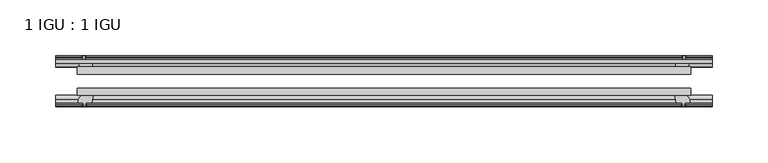
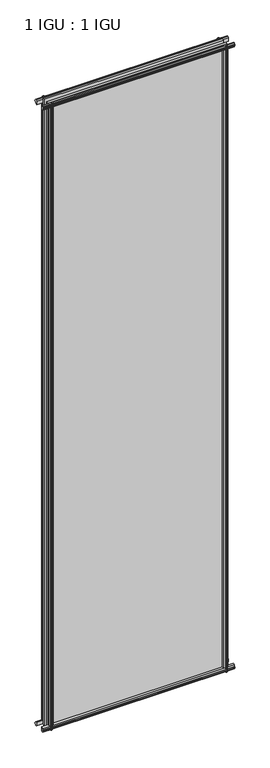
"""IFC4 building model written with IfcOpenShell, lengths in millimetres: plate geometry, 1 IGU : 1 IGU."""

from ifc_helpers import new_model, si_unit, frame, origin, place, context, project, spatial, polyline, outline, extrude, source, transform, mapped, element, save


def plate_1_igu_1_igu_e9c27ba7(model_context):
    return source(origin(), model_context, "Body", "SweptSolid", [
        extrude(outline(polyline([(-273.8244096, -38.6468937), (273.8244096, -38.6468937), (273.8244096, -44.9460938), (-273.8244096, -44.9460938), (-273.8244096, -38.6468937)])), frame((0.0, 0.0, -12.7), z_axis=(0.0, 0.0, 1.0), x_axis=(1.0, 0.0, 0.0)), (0.0, 0.0, 1.0), 2019.2999999),
        extrude(outline(polyline([(-273.8244096, -19.5460937), (273.8244096, -19.5460937), (273.8244096, -25.8960938), (-273.8244096, -25.8960938), (-273.8244096, -19.5460937)])), frame((0.0, 0.0, -12.7), z_axis=(0.0, 0.0, 1.0), x_axis=(1.0, 0.0, 0.0)), (0.0, 0.0, 1.0), 2019.2999999),
        extrude(outline(polyline([(-44.9460937, 1.7177181), (-44.9460937, -9.1036578), (-48.3496937, -11.938), (-51.2960937, -11.938), (-51.2960937, -7.493), (-53.6762907, -7.112), (-53.2163575, -8.5275291), (-54.0175717, -8.5275291), (-54.7250937, -6.35), (-54.0175717, -4.1724709), (-53.2163575, -4.1724709), (-53.6762907, -5.588), (-51.2960937, -5.207), (-51.2960937, 0.0), (-44.9460937, 1.7177181)])), frame((-292.8744096, 0.0, 0.0), z_axis=(1.0, 0.0, 0.0), x_axis=(0.0, 1.0, 0.0)), (0.0, 0.0, 1.0), 585.7488192),
        extrude(outline(polyline([(-13.1960937, -12.4587), (-16.1424937, -12.4587), (-19.5460937, -9.6243578), (-19.5460937, 1.1970181), (-13.1960937, -0.5207), (-13.1960937, -5.7277), (-10.8158968, -6.1087), (-11.27583, -4.6931709), (-10.4746158, -4.6931709), (-9.7670937, -6.8707), (-10.4746158, -9.0482291), (-11.27583, -9.0482291), (-10.8158968, -7.6327), (-13.1960937, -8.0137), (-13.1960937, -12.4587)])), frame((-292.8744096, 0.0, 0.0), z_axis=(1.0, 0.0, 0.0), x_axis=(0.0, 1.0, 0.0)), (0.0, 0.0, 1.0), 585.7488192),
        extrude(outline(polyline([(-51.2960937, 2005.8379999), (-48.3496937, 2005.8379999), (-44.9460937, 2003.0036577), (-44.9460937, 1992.1822818), (-51.2960937, 1993.8999999), (-51.2960937, 1999.1069999), (-53.6762907, 1999.4879999), (-53.2163575, 1998.0724708), (-54.0175717, 1998.0724708), (-54.7250937, 2000.2499999), (-54.0175717, 2002.4275289), (-53.2163575, 2002.4275289), (-53.6762907, 2001.0119999), (-51.2960937, 2001.3929999), (-51.2960937, 2005.8379999)])), frame((-292.8744096, 0.0, 0.0), z_axis=(1.0, 0.0, 0.0), x_axis=(0.0, 1.0, 0.0)), (0.0, 0.0, 1.0), 585.7488192),
        extrude(outline(polyline([(-19.5460937, 1992.7029818), (-19.5460937, 2003.5243577), (-16.1424937, 2006.3586999), (-13.1960937, 2006.3586999), (-13.1960937, 2001.9136999), (-10.8158968, 2001.5326999), (-11.27583, 2002.9482289), (-10.4746158, 2002.9482289), (-9.7670937, 2000.7706999), (-10.4746158, 1998.5931708), (-11.27583, 1998.5931708), (-10.8158968, 2000.0086999), (-13.1960937, 1999.6276999), (-13.1960937, 1994.4206999), (-19.5460937, 1992.7029818)])), frame((-292.8744096, 0.0, 0.0), z_axis=(1.0, 0.0, 0.0), x_axis=(0.0, 1.0, 0.0)), (0.0, 0.0, 1.0), 585.7488192),
        extrude(outline(polyline([(259.9273915, -19.5460938), (261.6451096, -13.1960938), (266.8521096, -13.1960938), (267.2331096, -10.8158968), (265.8175805, -11.27583), (265.8175805, -10.4746158), (267.9951096, -9.7670938), (270.1726386, -10.4746158), (270.1726386, -11.27583), (268.7571096, -10.8158968), (269.1381096, -13.1960938), (273.5831096, -13.1960938), (273.5831096, -16.1424938), (270.7487674, -19.5460938), (259.9273915, -19.5460938)])), frame((0.0, 0.0, -12.7), z_axis=(0.0, 0.0, 1.0), x_axis=(1.0, 0.0, 0.0)), (0.0, 0.0, 1.0), 2019.3),
        extrude(outline(polyline([(259.4066915, -44.9460938), (270.2280674, -44.9460938), (273.0624096, -48.3496938), (273.0624096, -51.2960938), (268.6174096, -51.2960938), (268.2364096, -53.6762907), (269.6519386, -53.2163575), (269.6519386, -54.0175717), (267.4744096, -54.7250938), (265.2968805, -54.0175717), (265.2968805, -53.2163575), (266.7124096, -53.6762907), (266.3314096, -51.2960938), (261.1244096, -51.2960938), (259.4066915, -44.9460938)])), frame((0.0, 0.0, -12.7), z_axis=(0.0, 0.0, 1.0), x_axis=(1.0, 0.0, 0.0)), (0.0, 0.0, 1.0), 2019.3),
        extrude(outline(polyline([(-267.9951096, -9.7670937), (-265.8175805, -10.4746158), (-265.8175805, -11.27583), (-267.2331096, -10.8158968), (-266.8521096, -13.1960937), (-261.6451096, -13.1960937), (-259.9273915, -19.5460937), (-270.7487674, -19.5460937), (-273.5831096, -16.1424937), (-273.5831096, -13.1960937), (-269.1381096, -13.1960937), (-268.7571096, -10.8158968), (-270.1726386, -11.27583), (-270.1726386, -10.4746158), (-267.9951096, -9.7670937)])), frame((0.0, 0.0, -12.7), z_axis=(0.0, 0.0, 1.0), x_axis=(1.0, 0.0, 0.0)), (0.0, 0.0, 1.0), 2019.3),
        extrude(outline(polyline([(-273.0624096, -48.3496937), (-270.2280674, -44.9460937), (-259.4066915, -44.9460937), (-261.1244096, -51.2960937), (-266.3314096, -51.2960937), (-266.7124096, -53.6762907), (-265.2968805, -53.2163575), (-265.2968805, -54.0175717), (-267.4744096, -54.7250937), (-269.6519386, -54.0175717), (-269.6519386, -53.2163575), (-268.2364096, -53.6762907), (-268.6174096, -51.2960937), (-273.0624096, -51.2960937), (-273.0624096, -48.3496937)])), frame((0.0, 0.0, -12.7), z_axis=(0.0, 0.0, 1.0), x_axis=(1.0, 0.0, 0.0)), (0.0, 0.0, 1.0), 2019.3),
    ])


if __name__ == "__main__":
    model = new_model("IFC4")
    model_context = context("Model", 3, world=origin())
    ifc_project = project(units=[si_unit("LENGTHUNIT", "METRE", prefix="MILLI")], contexts=[model_context])
    site = spatial("IfcSite", under=ifc_project)
    building = spatial("IfcBuilding", under=site)
    placement = place(None, origin())
    plate_1_igu_1_igu_shape = plate_1_igu_1_igu_e9c27ba7(model_context)
    element("IfcPlate", 1, ObjectType="1 IGU : 1 IGU", at=placement, inside=building, context=model_context, shape_type="MappedRepresentation", body=[
        mapped(plate_1_igu_1_igu_shape, transform((0.0, 0.0, 0.0), x_axis=(1.0, 0.0, 0.0), y_axis=(0.0, 1.0, 0.0), z_axis=(0.0, 0.0, 1.0))),
    ])
    save(model, "model.ifc")
